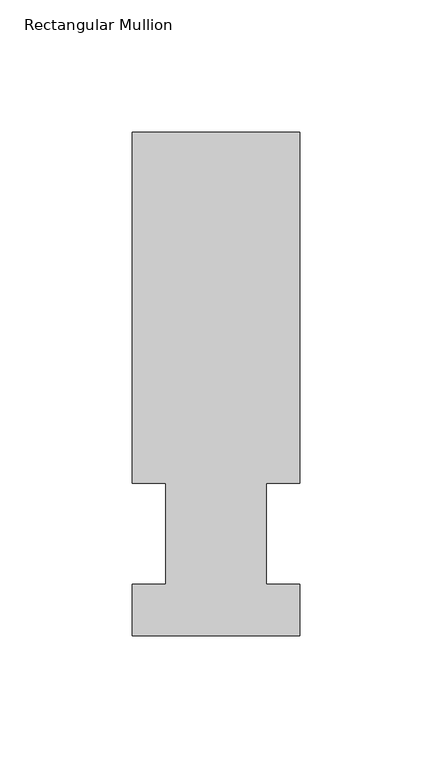
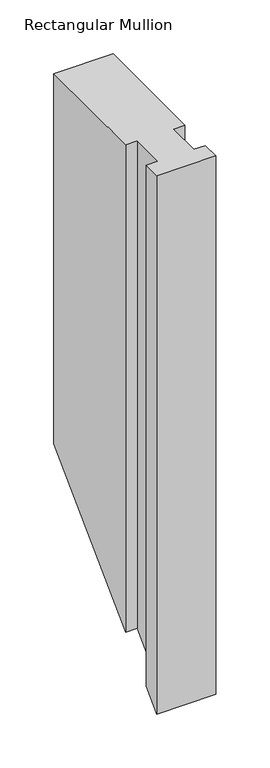
"""IFC4 building model written with IfcOpenShell, lengths in millimetres: member geometry, Rectangular Mullion."""

from ifc_helpers import new_model, si_unit, origin, place, context, project, spatial, faceted_brep, source, transform, mapped, element, save


def rectangular_mullion_d5ce55f5(model_context):
    return source(origin(), model_context, "Body", "Brep", [
        faceted_brep([(-63.5, 190.5896938, 0.0), (-63.5, 57.6460937, 0.0), (-50.8, 57.6460937, 0.0), (-50.8, 19.5460938, 0.0), (-63.5, 19.5460938, 0.0), (-63.5, 0.0134938, 0.0), (0.0, 0.0134938, 0.0), (0.0, 19.5460938, 0.0), (-12.6873, 19.5460938, 0.0), (-12.6873, 57.6460937, 0.0), (0.0, 57.6460937, 0.0), (0.0, 190.5896938, 0.0), (-63.5, 190.5896938, -419.0103063), (-63.5, 57.6460937, -551.9539063), (-50.8, 57.6460937, -551.9539063), (-50.8, 19.5460938, -590.0539063), (-63.5, 19.5460938, -590.0539063), (-63.5, 0.0134938, -609.5865063), (0.0, 0.0134938, -609.5865063), (0.0, 19.5460938, -590.0539063), (-12.6873, 19.5460938, -590.0539063), (-12.6873, 57.6460937, -551.9539063), (0.0, 57.6460937, -551.9539063), (0.0, 190.5896938, -419.0103063)], [[[0, 1, 2, 3, 4, 5, 6, 7, 8, 9, 10, 11]], [[1, 0, 12, 13]], [[2, 1, 13, 14]], [[3, 2, 14, 15]], [[4, 3, 15, 16]], [[5, 4, 16, 17]], [[6, 5, 17, 18]], [[7, 6, 18, 19]], [[8, 7, 19, 20]], [[9, 8, 20, 21]], [[10, 9, 21, 22]], [[11, 10, 22, 23]], [[0, 11, 23, 12]], [[12, 23, 22, 21, 20, 19, 18, 17, 16, 15, 14, 13]]]),
    ])


if __name__ == "__main__":
    model = new_model("IFC4")
    model_context = context("Model", 3, world=origin())
    ifc_project = project(units=[si_unit("LENGTHUNIT", "METRE", prefix="MILLI")], contexts=[model_context])
    site = spatial("IfcSite", under=ifc_project)
    building = spatial("IfcBuilding", under=site)
    placement = place(None, origin())
    rectangular_mullion_shape = rectangular_mullion_d5ce55f5(model_context)
    element("IfcMember", 1, ObjectType="Rectangular Mullion", at=placement, inside=building, context=model_context, shape_type="MappedRepresentation", body=[
        mapped(rectangular_mullion_shape, transform((0.0, 0.0, 0.0), x_axis=(1.0, 0.0, 0.0), y_axis=(0.0, 1.0, 0.0), z_axis=(0.0, 0.0, 1.0))),
    ])
    save(model, "model.ifc")
